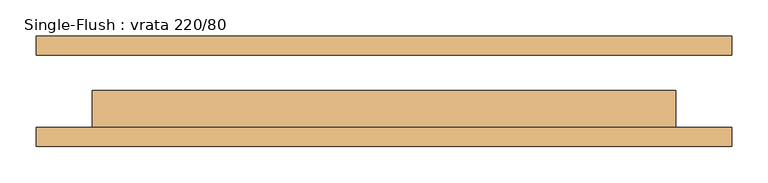
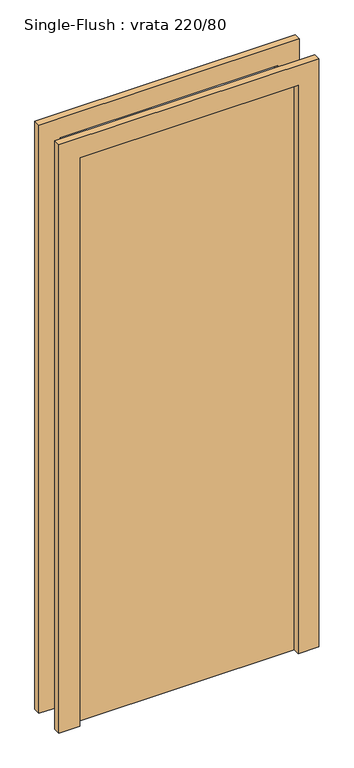
"""IFC4 building model written with IfcOpenShell, lengths in millimetres: door geometry, Single-Flush : vrata 220/80."""

from ifc_helpers import new_model, si_unit, frame, origin, origin_with_axes, place, context, project, spatial, polyline, outline, extrude, source, transform, mapped, element, save


def single_flush_vrata_220_80_cf6013de(model_context):
    return source(origin(), model_context, "Body", "SweptSolid", [
        extrude(outline(polyline([(2276.2, -476.2), (0.0, -476.2), (0.0, -400.0), (2200.0, -400.0), (2200.0, 400.0), (0.0, 400.0), (0.0, 476.2), (2276.2, 476.2), (2276.2, -476.2)])), frame((0.0, -75.4, 0.0), z_axis=(0.0, 1.0, 0.0), x_axis=(0.0, 0.0, 1.0)), (0.0, 0.0, 1.0), 25.4),
        extrude(outline(polyline([(2276.2, 476.2), (2276.2, -476.2), (0.0, -476.2), (0.0, -400.0), (2200.0, -400.0), (2200.0, 400.0), (0.0, 400.0), (0.0, 476.2), (2276.2, 476.2)])), frame((0.0, 50.0, 0.0), z_axis=(0.0, 1.0, 0.0), x_axis=(0.0, 0.0, 1.0)), (0.0, 0.0, 1.0), 25.4),
        extrude(outline(polyline([(400.0, 0.8), (400.0, -50.0), (-400.0, -50.0), (-400.0, 0.8), (400.0, 0.8)])), origin_with_axes(), (0.0, 0.0, 1.0), 2200.0),
    ])


if __name__ == "__main__":
    model = new_model("IFC4")
    model_context = context("Model", 3, world=origin())
    ifc_project = project(units=[si_unit("LENGTHUNIT", "METRE", prefix="MILLI")], contexts=[model_context])
    site = spatial("IfcSite", under=ifc_project)
    building = spatial("IfcBuilding", under=site)
    placement = place(None, origin())
    single_flush_vrata_220_80_shape = single_flush_vrata_220_80_cf6013de(model_context)
    element("IfcDoor", 1, ObjectType="Single-Flush : vrata 220/80", at=placement, inside=building, context=model_context, shape_type="MappedRepresentation", body=[
        mapped(single_flush_vrata_220_80_shape, transform((0.0, 0.0, 0.0), x_axis=(1.0, 0.0, 0.0), y_axis=(0.0, 1.0, 0.0), z_axis=(0.0, 0.0, 1.0))),
    ])
    save(model, "model.ifc")
